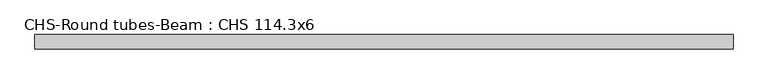
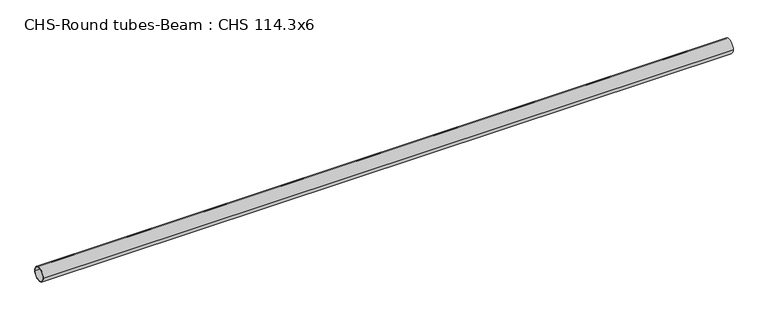
"""IFC4 building model written with IfcOpenShell, lengths in millimetres: beam geometry, CHS-Round tubes-Beam : CHS 114.3x6."""

from ifc_helpers import new_model, si_unit, point, frame, origin, origin_2d, place, context, project, spatial, circle_curve, trimmed, segment, composite_curve, outline, extrude, source, transform, mapped, element, save


def chs_round_tubes_beam_chs_114_3x6_71d004e5(model_context):
    return source(origin(), model_context, "Body", "SweptSolid", [
        extrude(outline(composite_curve([segment(trimmed(circle_curve(origin_2d(), 57.15), [point((57.15, 0.0))], [point((-57.15, 0.0))], False, "CARTESIAN"), True, "CONTINUOUS"), segment(trimmed(circle_curve(origin_2d(), 57.15), [point((-57.15, 0.0))], [point((57.15, 0.0))], False, "CARTESIAN"), True, "CONTINUOUS")], self_intersect=False), holes=[composite_curve([segment(trimmed(circle_curve(origin_2d(), 51.15), [point((51.15, 0.0))], [point((-51.15, 0.0))], True, "CARTESIAN"), True, "CONTINUOUS"), segment(trimmed(circle_curve(origin_2d(), 51.15), [point((-51.15, 0.0))], [point((51.15, 0.0))], True, "CARTESIAN"), True, "CONTINUOUS")], self_intersect=False)]), frame((-2771.1047391, 0.0, 0.0), z_axis=(1.0, 0.0, 0.0), x_axis=(0.0, 1.0, 0.0)), (0.0, 0.0, 1.0), 5536.2442113),
    ])


if __name__ == "__main__":
    model = new_model("IFC4")
    model_context = context("Model", 3, world=origin())
    ifc_project = project(units=[si_unit("LENGTHUNIT", "METRE", prefix="MILLI")], contexts=[model_context])
    site = spatial("IfcSite", under=ifc_project)
    building = spatial("IfcBuilding", under=site)
    placement = place(None, origin())
    chs_round_tubes_beam_chs_114_3x6_shape = chs_round_tubes_beam_chs_114_3x6_71d004e5(model_context)
    element("IfcBeam", 1, ObjectType="CHS-Round tubes-Beam : CHS 114.3x6", at=placement, inside=building, context=model_context, shape_type="MappedRepresentation", body=[
        mapped(chs_round_tubes_beam_chs_114_3x6_shape, transform((0.0, 0.0, 0.0), x_axis=(1.0, 0.0, 0.0), y_axis=(0.0, 1.0, 0.0), z_axis=(0.0, 0.0, 1.0))),
    ])
    save(model, "model.ifc")
